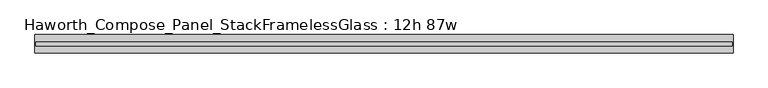
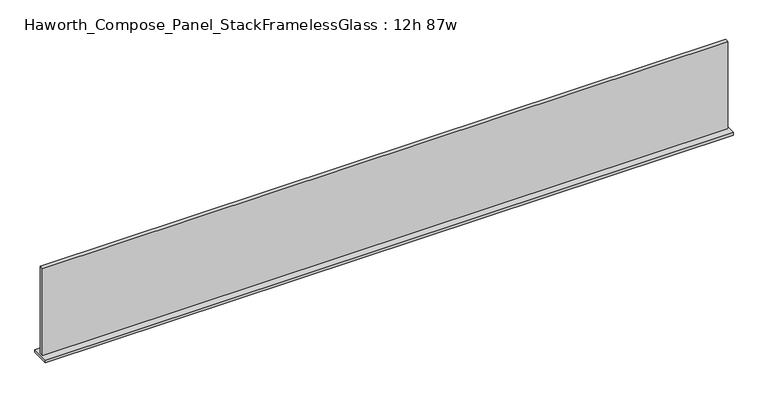
"""IFC4 building model written with IfcOpenShell, lengths in millimetres: furniture geometry, Haworth_Compose_Panel_StackFramelessGlass : 12h 87w."""

from ifc_helpers import new_model, si_unit, frame, origin, place, context, project, spatial, polyline, outline, extrude, source, transform, mapped, element, save


def haworth_compose_panel_stackframelessglass_12h_87w_8565f5eb(model_context):
    return source(origin(), model_context, "Body", "SweptSolid", [
        extrude(outline(polyline([(1104.1652902, -27.3093594), (-1099.2847098, -27.3093594), (-1099.2847098, -14.6093594), (1104.1652902, -14.6093594), (1104.1652902, -27.3093594)])), frame((0.0, 0.0, 1279.525), z_axis=(0.0, 0.0, 1.0), x_axis=(1.0, 0.0, 0.0)), (0.0, 0.0, 1.0), 295.275),
        extrude(outline(polyline([(-1102.4597098, -50.3281094), (-1102.4597098, 8.4093906), (1107.3402902, 8.4093906), (1107.3402902, -50.3281094), (-1102.4597098, -50.3281094)])), frame((0.0, 0.0, 1270.0), z_axis=(0.0, 0.0, 1.0), x_axis=(1.0, 0.0, 0.0)), (0.0, 0.0, 1.0), 9.525),
    ])


if __name__ == "__main__":
    model = new_model("IFC4")
    model_context = context("Model", 3, world=origin())
    ifc_project = project(units=[si_unit("LENGTHUNIT", "METRE", prefix="MILLI")], contexts=[model_context])
    site = spatial("IfcSite", under=ifc_project)
    building = spatial("IfcBuilding", under=site)
    placement = place(None, origin())
    haworth_compose_panel_stackframelessglass_12h_87w_shape = haworth_compose_panel_stackframelessglass_12h_87w_8565f5eb(model_context)
    element("IfcFurniture", 1, ObjectType="Haworth_Compose_Panel_StackFramelessGlass : 12h 87w", at=placement, inside=building, context=model_context, shape_type="MappedRepresentation", body=[
        mapped(haworth_compose_panel_stackframelessglass_12h_87w_shape, transform((0.0, 0.0, 0.0), x_axis=(1.0, 0.0, 0.0), y_axis=(0.0, 1.0, 0.0), z_axis=(0.0, 0.0, 1.0))),
    ])
    save(model, "model.ifc")
